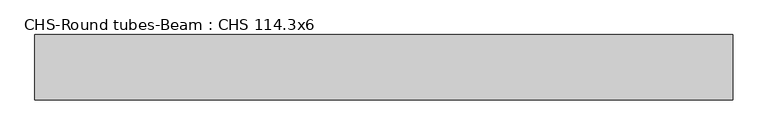
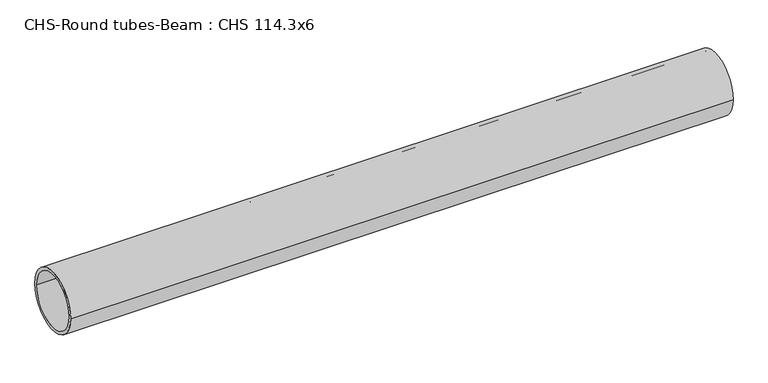
"""IFC4 building model written with IfcOpenShell, lengths in millimetres: beam geometry, CHS-Round tubes-Beam : CHS 114.3x6."""

from ifc_helpers import new_model, si_unit, point, frame, origin, origin_2d, place, context, project, spatial, circle_curve, trimmed, segment, composite_curve, outline, extrude, source, transform, mapped, element, save


def chs_round_tubes_beam_chs_114_3x6_58d390a4(model_context):
    return source(origin(), model_context, "Body", "SweptSolid", [
        extrude(outline(composite_curve([segment(trimmed(circle_curve(origin_2d(), 57.15), [point((57.15, 0.0))], [point((-57.15, 0.0))], False, "CARTESIAN"), True, "CONTINUOUS"), segment(trimmed(circle_curve(origin_2d(), 57.15), [point((-57.15, 0.0))], [point((57.15, 0.0))], False, "CARTESIAN"), True, "CONTINUOUS")], self_intersect=False), holes=[composite_curve([segment(trimmed(circle_curve(origin_2d(), 51.15), [point((51.15, 0.0))], [point((-51.15, 0.0))], True, "CARTESIAN"), True, "CONTINUOUS"), segment(trimmed(circle_curve(origin_2d(), 51.15), [point((-51.15, 0.0))], [point((51.15, 0.0))], True, "CARTESIAN"), True, "CONTINUOUS")], self_intersect=False)]), frame((-606.3552527, 0.0, 0.0), z_axis=(1.0, 0.0, 0.0), x_axis=(0.0, 1.0, 0.0)), (0.0, 0.0, 1.0), 1224.0594476),
    ])


if __name__ == "__main__":
    model = new_model("IFC4")
    model_context = context("Model", 3, world=origin())
    ifc_project = project(units=[si_unit("LENGTHUNIT", "METRE", prefix="MILLI")], contexts=[model_context])
    site = spatial("IfcSite", under=ifc_project)
    building = spatial("IfcBuilding", under=site)
    placement = place(None, origin())
    chs_round_tubes_beam_chs_114_3x6_shape = chs_round_tubes_beam_chs_114_3x6_58d390a4(model_context)
    element("IfcBeam", 1, ObjectType="CHS-Round tubes-Beam : CHS 114.3x6", at=placement, inside=building, context=model_context, shape_type="MappedRepresentation", body=[
        mapped(chs_round_tubes_beam_chs_114_3x6_shape, transform((0.0, 0.0, 0.0), x_axis=(1.0, 0.0, 0.0), y_axis=(0.0, 1.0, 0.0), z_axis=(0.0, 0.0, 1.0))),
    ])
    save(model, "model.ifc")
